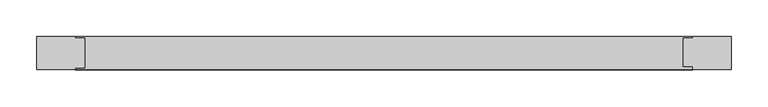
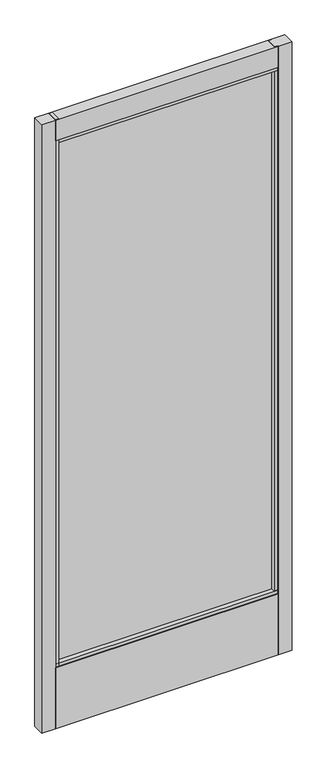
"""IFC4 building model written with IfcOpenShell, lengths in millimetres: plate geometry."""

from ifc_helpers import new_model, si_unit, frame, origin, place, context, project, spatial, polyline, outline, extrude, source, transform, mapped, element, save


def plate_24a488f4(model_context):
    return source(origin(), model_context, "Body", "SweptSolid", [
        extrude(outline(polyline([(-469.3708333, 14.2875), (-417.7669628, 14.2875), (-417.7669628, 12.7276195), (-405.0669628, 12.7276195), (-405.0669628, -28.2929584), (-417.7669628, -28.2929584), (-417.7669628, -30.1625), (-469.3708333, -30.1625), (-469.3708333, 14.2875)])), frame((0.0, 0.0, 17.4625), z_axis=(0.0, 0.0, 1.0), x_axis=(1.0, 0.0, 0.0)), (0.0, 0.0, 1.0), 2409.825),
        extrude(outline(polyline([(-413.4584991, -10.8991855), (-413.4584991, -4.5491855), (409.8480053, -4.5491855), (409.8480053, -10.8991855), (-413.4584991, -10.8991855)])), frame((0.0, 0.0, 263.906), z_axis=(0.0, 0.0, 1.0), x_axis=(1.0, 0.0, 0.0)), (0.0, 0.0, 1.0), 2076.069),
        extrude(outline(polyline([(469.3708333, 14.2875), (469.3708333, -30.1625), (417.7669628, -30.1625), (417.7669628, -26.0572968), (405.0669628, -26.0572968), (405.0669628, 12.7276195), (417.7669628, 12.7276195), (417.7669628, 14.2875), (469.3708333, 14.2875)])), frame((0.0, 0.0, 17.4625), z_axis=(0.0, 0.0, 1.0), x_axis=(1.0, 0.0, 0.0)), (0.0, 0.0, 1.0), 2409.825),
        extrude(outline(polyline([(-30.1625, 2427.2875), (14.2875, 2427.2875), (14.2875, 2344.740294), (12.7276195, 2344.740294), (12.7276195, 2332.0375), (-28.2929584, 2332.0375), (-28.2929584, 2344.740294), (-30.1625, 2344.740294), (-30.1625, 2427.2875)])), frame((-417.7669628, 0.0, 0.0), z_axis=(1.0, 0.0, 0.0), x_axis=(0.0, 1.0, 0.0)), (0.0, 0.0, 1.0), 835.5339257),
        extrude(outline(polyline([(-28.2929584, 271.4298836), (12.7276195, 271.4298836), (12.7276195, 258.7303916), (14.2875, 258.7303916), (14.2875, 17.4625), (-30.1625, 17.4625), (-30.1625, 258.7303916), (-28.2929584, 258.7303916), (-28.2929584, 271.4298836)])), frame((-417.7669628, 0.0, 0.0), z_axis=(1.0, 0.0, 0.0), x_axis=(0.0, 1.0, 0.0)), (0.0, 0.0, 1.0), 835.5339257),
    ])


if __name__ == "__main__":
    model = new_model("IFC4")
    model_context = context("Model", 3, world=origin())
    ifc_project = project(units=[si_unit("LENGTHUNIT", "METRE", prefix="MILLI")], contexts=[model_context])
    site = spatial("IfcSite", under=ifc_project)
    building = spatial("IfcBuilding", under=site)
    placement = place(None, origin())
    plate_shape = plate_24a488f4(model_context)
    element("IfcPlate", 1, at=placement, inside=building, context=model_context, shape_type="MappedRepresentation", body=[
        mapped(plate_shape, transform((0.0, 0.0, 0.0), x_axis=(1.0, 0.0, 0.0), y_axis=(0.0, 1.0, 0.0), z_axis=(0.0, 0.0, 1.0))),
    ])
    save(model, "model.ifc")
